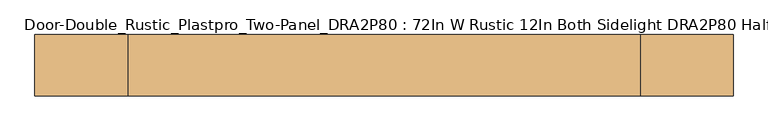
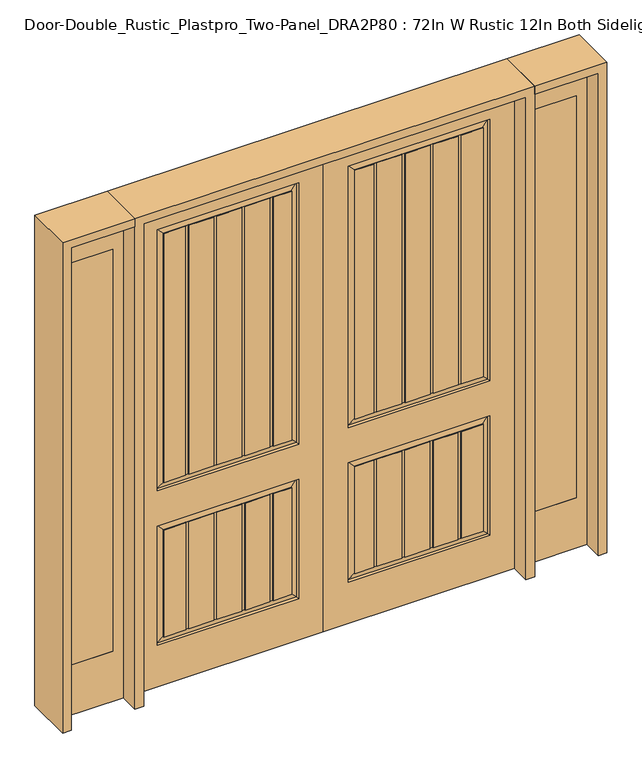
"""IFC4 building model written with IfcOpenShell, lengths in millimetres: door geometry, Door-Double_Rustic_Plastpro_Two-Panel_DRA2P80 : 72In W Rustic 12In Both Sidelight DRA2P80 Half Lite 96In."""

import ifcopenshell
import ifcopenshell.guid

model = None  # the IFC model being written
_history = None  # IfcOwnerHistory: only IFC2X3 demands one
_inside = {}  # id of a spatial element -> (the spatial element, [elements in it])
_under = {}  # id of a project, library or spatial element -> (it, [spatial elements below it])
_declared = {}  # id of a project -> (the project, [libraries it declares])
_typed = {}  # id of a type object -> (the type object, [elements of that type])
_made_of = {}  # id of a material, layer set ... -> (it, [elements and type objects made of it])


def new_model(schema):
    """Start an empty IFC model of exactly this schema.

    Asked for "IFC4X3", IfcOpenShell would pick the latest addendum, in which some entities
    have other attributes; the version numbers below select the first issue.
    IFC2X3 requires an IfcOwnerHistory on every rooted entity: one is made here for all.
    """
    global model, _history
    if schema == "IFC4X3":
        model = ifcopenshell.file(schema_version=(4, 3, 0, 0))
    else:
        model = ifcopenshell.file(schema=schema)
    _inside.clear()
    _under.clear()
    _declared.clear()
    _typed.clear()
    _made_of.clear()
    _history = None
    if model.schema == "IFC2X3":
        org = make("IfcOrganization", Name="unknown")
        user = make(
            "IfcPersonAndOrganization",
            ThePerson=make("IfcPerson", FamilyName="unknown"),
            TheOrganization=org,
        )
        app = make(
            "IfcApplication",
            ApplicationDeveloper=org,
            Version="unknown",
            ApplicationFullName="unknown",
            ApplicationIdentifier="unknown",
        )
        _history = make(
            "IfcOwnerHistory",
            OwningUser=user,
            OwningApplication=app,
            ChangeAction="ADDED",
            CreationDate=0,
        )
    return model


def make(cls, **values):
    """One entity of the class cls with the attributes given. An attribute that is None is left unset."""
    return model.create_entity(
        cls, **{name: value for name, value in values.items() if value is not None}
    )


def rooted(cls, **values):
    """An entity with a GlobalId (a new one), such as an element, a storey or a relation."""
    return make(cls, GlobalId=ifcopenshell.guid.new(), OwnerHistory=_history, **values)


def si_unit(unit_type, name, prefix=None):
    """IfcSIUnit, for example si_unit("LENGTHUNIT", "METRE", prefix="MILLI")."""
    return make("IfcSIUnit", UnitType=unit_type, Prefix=prefix, Name=name)


def assignment(units):
    """IfcUnitAssignment: the units of a project."""
    return None if units is None else make("IfcUnitAssignment", Units=units)


def point(xyz):
    """IfcCartesianPoint."""
    return None if xyz is None else make("IfcCartesianPoint", Coordinates=xyz)


def direction(xyz):
    """IfcDirection."""
    return None if xyz is None else make("IfcDirection", DirectionRatios=xyz)


def frame(location, z_axis=None, x_axis=None):
    """IfcAxis2Placement3D, a coordinate frame: its origin and axes. An axis left out is left unset."""
    return make(
        "IfcAxis2Placement3D",
        Location=point(location),
        Axis=direction(z_axis),
        RefDirection=direction(x_axis),
    )


def origin():
    """The frame at (0, 0, 0) with its axes left unset."""
    return frame((0.0, 0.0, 0.0))


def place(relative_to, where):
    """IfcLocalPlacement: puts the frame where relative to a parent placement (None: the world)."""
    return make(
        "IfcLocalPlacement", PlacementRelTo=relative_to, RelativePlacement=where
    )


def context(
    kind, dimensions, precision=None, world=None, true_north=None, identifier=None
):
    """IfcGeometricRepresentationContext, for example the 3D "Model" context."""
    return make(
        "IfcGeometricRepresentationContext",
        ContextIdentifier=identifier,
        ContextType=kind,
        CoordinateSpaceDimension=dimensions,
        Precision=precision,
        WorldCoordinateSystem=world,
        TrueNorth=true_north,
    )


def project(units=None, contexts=None):
    """IfcProject with its units and contexts."""
    return rooted(
        "IfcProject",
        Name="project",
        RepresentationContexts=contexts,
        UnitsInContext=assignment(units),
    )


def spatial(cls, under=None, at=None, **own):
    """A site, building, storey or space (cls), placed at a placement, below another one or the project."""
    s = rooted(cls, ObjectPlacement=at, **own)
    if under is not None:
        _under.setdefault(under.id(), (under, []))[1].append(s)
    return s


def polyline(points):
    """IfcPolyline through the points."""
    return make("IfcPolyline", Points=[point(p) for p in points])


def outline(outer, holes=None, kind="AREA"):
    """IfcArbitraryClosedProfileDef: a profile drawn as a closed curve; with holes, ...WithVoids."""
    if holes is None:
        return make("IfcArbitraryClosedProfileDef", ProfileType=kind, OuterCurve=outer)
    return make(
        "IfcArbitraryProfileDefWithVoids",
        ProfileType=kind,
        OuterCurve=outer,
        InnerCurves=holes,
    )


def extrude(swept, where, along, depth):
    """IfcExtrudedAreaSolid: the profile swept, set in the frame where, extruded along a direction by depth."""
    return make(
        "IfcExtrudedAreaSolid",
        SweptArea=swept,
        Position=where,
        ExtrudedDirection=direction(along),
        Depth=depth,
    )


def faces_of(points, faces, orient=None, outer=None):
    """IfcFace entities. A face is a list of loops; a loop is a list of indices into points, from 0.

    orient and outer hold one flag for each loop. By default every Orientation is true, the
    first loop of a face is its IfcFaceOuterBound and the others are IfcFaceBound.
    """
    made = []
    for i, loops in enumerate(faces):
        bounds = []
        for j, loop in enumerate(loops):
            is_outer = j == 0 if outer is None else outer[i][j]
            bounds.append(
                make(
                    "IfcFaceOuterBound" if is_outer else "IfcFaceBound",
                    Bound=make("IfcPolyLoop", Polygon=[points[k] for k in loop]),
                    Orientation=True if orient is None else orient[i][j],
                )
            )
        made.append(make("IfcFace", Bounds=bounds))
    return made


def faceted_brep(points, faces, orient=None, outer=None, voids=None):
    """IfcFacetedBrep: a solid bounded by flat faces; with voids (closed shells), ...WithVoids."""
    shared = [point(p) for p in points]
    hull = make("IfcClosedShell", CfsFaces=faces_of(shared, faces, orient, outer))
    if voids is None:
        return make("IfcFacetedBrep", Outer=hull)
    return make(
        "IfcFacetedBrepWithVoids",
        Outer=hull,
        Voids=[
            make(cls, CfsFaces=faces_of(shared, fs, o, b)) for cls, fs, o, b in voids
        ],
    )


def shape(context_of_items, identifier, shape_type, items):
    """IfcShapeRepresentation: the items that make up one representation, for example the "Body"."""
    return make(
        "IfcShapeRepresentation",
        ContextOfItems=context_of_items,
        RepresentationIdentifier=identifier,
        RepresentationType=shape_type,
        Items=items,
    )


def source(mapping_origin, context_of_items, identifier, shape_type, items):
    """IfcRepresentationMap: a shape defined once, which mapped items show again and again."""
    return make(
        "IfcRepresentationMap",
        MappingOrigin=mapping_origin,
        MappedRepresentation=shape(context_of_items, identifier, shape_type, items),
    )


def transform(
    local_origin,
    x_axis=None,
    y_axis=None,
    z_axis=None,
    scale=None,
    scale2=None,
    scale3=None,
    uniform=True,
):
    """IfcCartesianTransformationOperator3D, or its non-uniform kind. x_axis, y_axis, z_axis: its Axis1, 2, 3."""
    if uniform:
        return make(
            "IfcCartesianTransformationOperator3D",
            Axis1=direction(x_axis),
            Axis2=direction(y_axis),
            LocalOrigin=point(local_origin),
            Scale=scale,
            Axis3=direction(z_axis),
        )
    return make(
        "IfcCartesianTransformationOperator3DnonUniform",
        Axis1=direction(x_axis),
        Axis2=direction(y_axis),
        LocalOrigin=point(local_origin),
        Scale=scale,
        Axis3=direction(z_axis),
        Scale2=scale2,
        Scale3=scale3,
    )


def mapped(mapping_source, mapping_target):
    """IfcMappedItem: shows the shape of a source again, moved by a transform."""
    return make(
        "IfcMappedItem", MappingSource=mapping_source, MappingTarget=mapping_target
    )


def made_of(thing, what):
    """Note that an element or type object is made of a material, layer set ...; save() writes the relation."""
    if what is not None:
        _made_of.setdefault(what.id(), (what, []))[1].append(thing)
    return thing


def element(
    cls,
    number,
    at=None,
    inside=None,
    cuts=None,
    type_object=None,
    material=None,
    context=None,
    identifier="Body",
    shape_type=None,
    held_by="IfcProductDefinitionShape",
    body=None,
    shapes=None,
    **own,
):
    """One element of the class cls, such as IfcWall. Its Tag is "e" and its number.

    at: its placement. inside: the storey or other place that contains it. cuts: it is an
    opening in that element (IfcRelVoidsElement). A single representation is given by context,
    identifier, shape_type and body (its items); several are given by shapes. held_by: the class
    of the entity that holds the representations. save() writes the other relations.
    """
    e = rooted(cls, Tag="e%d" % number, ObjectPlacement=at, **own)
    if body is not None:
        shapes = [shape(context, identifier, shape_type, body)]
    if shapes is not None:
        e.Representation = make(held_by, Representations=shapes)
    if inside is not None:
        _inside.setdefault(inside.id(), (inside, []))[1].append(e)
    if cuts is not None:
        rooted(
            "IfcRelVoidsElement", RelatingBuildingElement=cuts, RelatedOpeningElement=e
        )
    if type_object is not None:
        _typed.setdefault(type_object.id(), (type_object, []))[1].append(e)
    return made_of(e, material)


def aggregate(whole, parts):
    """IfcRelAggregates: a whole, such as a stair, and the parts it consists of."""
    return rooted("IfcRelAggregates", RelatingObject=whole, RelatedObjects=parts)


def save(model, path):
    """Write the relations noted so far, then the file.

    IfcRelAggregates (storeys below a building ...), IfcRelContainedInSpatialStructure (elements
    in a storey), IfcRelDefinesByType, IfcRelAssociatesMaterial and IfcRelDeclares: one each for
    every whole, place, type object, material and project.
    """
    for whole, parts in _under.values():
        aggregate(whole, parts)
    for where, things in _inside.values():
        rooted(
            "IfcRelContainedInSpatialStructure",
            RelatedElements=things,
            RelatingStructure=where,
        )
    for kind, things in _typed.values():
        rooted("IfcRelDefinesByType", RelatedObjects=things, RelatingType=kind)
    for what, things in _made_of.values():
        rooted("IfcRelAssociatesMaterial", RelatedObjects=things, RelatingMaterial=what)
    for by, libraries in _declared.values():
        rooted("IfcRelDeclares", RelatingContext=by, RelatedDefinitions=libraries)
    model.write(path)


def door_double_rustic_plastpro_two_panel_dra2p80_72in_w_rustic_3f4ddbdf(model_context):
    return source(origin(), model_context, "Body", "SolidModel", [
        faceted_brep([(0.0, 20.6375, 0.0), (0.0, 20.6375, 2438.4), (914.4, 20.6375, 2438.4), (914.4, 20.6375, 0.0), (795.3375, 20.6375, 990.6), (795.3375, 20.6375, 2311.4), (119.0625, 20.6375, 2311.4), (119.0625, 20.6375, 990.6), (795.3375, 20.6375, 209.55), (795.3375, 20.6375, 812.8), (119.0625, 20.6375, 812.8), (119.0625, 20.6375, 209.55), (255.83842, 20.6375, 781.59283), (374.7997858, 20.6375, 781.59283), (374.7997858, 20.6375, 240.75717), (255.83842, 20.6375, 240.75717), (240.5587325, 20.6375, 240.75717), (150.26967, 20.6375, 240.75717), (150.26967, 20.6375, 781.59283), (240.5587325, 20.6375, 781.59283), (524.3205267, 20.6375, 781.59283), (643.2818925, 20.6375, 781.59283), (643.2818925, 20.6375, 240.75717), (524.3205267, 20.6375, 240.75717), (509.0408392, 20.6375, 240.75717), (390.0794733, 20.6375, 240.75717), (390.0794733, 20.6375, 781.59283), (509.0408392, 20.6375, 781.59283), (255.83842, 20.6375, 2280.19283), (374.7997858, 20.6375, 2280.19283), (374.7997858, 20.6375, 1021.80717), (255.83842, 20.6375, 1021.80717), (240.5587325, 20.6375, 1021.80717), (150.26967, 20.6375, 1021.80717), (150.26967, 20.6375, 2280.19283), (240.5587325, 20.6375, 2280.19283), (524.3205267, 20.6375, 2280.19283), (643.2818925, 20.6375, 2280.19283), (643.2818925, 20.6375, 1021.80717), (524.3205267, 20.6375, 1021.80717), (509.0408392, 20.6375, 1021.80717), (390.0794733, 20.6375, 1021.80717), (390.0794733, 20.6375, 2280.19283), (509.0408392, 20.6375, 2280.19283), (658.56158, 20.6375, 2280.19283), (764.13033, 20.6375, 2280.19283), (764.13033, 20.6375, 1021.80717), (658.56158, 20.6375, 1021.80717), (658.56158, 20.6375, 781.59283), (764.13033, 20.6375, 781.59283), (764.13033, 20.6375, 240.75717), (658.56158, 20.6375, 240.75717), (914.4, -20.6375, 0.0), (0.0, -20.6375, 0.0), (914.4, -20.6375, 2438.4), (0.0, -20.6375, 2438.4), (119.0625, -20.6375, 990.6), (119.0625, -20.6375, 2311.4), (795.3375, -20.6375, 2311.4), (795.3375, -20.6375, 990.6), (119.0625, -20.6375, 209.55), (119.0625, -20.6375, 812.8), (795.3375, -20.6375, 812.8), (795.3375, -20.6375, 209.55), (255.83842, -20.6375, 240.75717), (374.7997858, -20.6375, 240.75717), (374.7997858, -20.6375, 781.59283), (255.83842, -20.6375, 781.59283), (240.5587325, -20.6375, 781.59283), (150.26967, -20.6375, 781.59283), (150.26967, -20.6375, 240.75717), (240.5587325, -20.6375, 240.75717), (524.3205267, -20.6375, 240.75717), (643.2818925, -20.6375, 240.75717), (643.2818925, -20.6375, 781.59283), (524.3205267, -20.6375, 781.59283), (509.0408392, -20.6375, 781.59283), (390.0794733, -20.6375, 781.59283), (390.0794733, -20.6375, 240.75717), (509.0408392, -20.6375, 240.75717), (255.83842, -20.6375, 1021.80717), (375.194015, -20.6375, 1021.80717), (375.194015, -20.6375, 2280.19283), (255.83842, -20.6375, 2280.19283), (240.5587325, -20.6375, 2280.19283), (150.26967, -20.6375, 2280.19283), (150.26967, -20.6375, 1021.80717), (240.5587325, -20.6375, 1021.80717), (525.108985, -20.6375, 1021.80717), (644.46458, -20.6375, 1021.80717), (644.46458, -20.6375, 2280.19283), (525.108985, -20.6375, 2280.19283), (509.8292975, -20.6375, 2280.19283), (390.4737025, -20.6375, 2280.19283), (390.4737025, -20.6375, 1021.80717), (509.8292975, -20.6375, 1021.80717), (659.7442675, -20.6375, 1021.80717), (764.13033, -20.6375, 1021.80717), (764.13033, -20.6375, 2280.19283), (659.7442675, -20.6375, 2280.19283), (658.56158, -20.6375, 240.75717), (764.13033, -20.6375, 240.75717), (764.13033, -20.6375, 781.59283), (658.56158, -20.6375, 781.59283), (255.83842, 17.4625, 240.75717), (255.83842, 17.4625, 781.59283), (374.7997858, 17.4625, 781.59283), (374.7997858, 17.4625, 240.75717), (240.5587325, 17.4625, 781.59283), (240.5587325, 17.4625, 240.75717), (524.3205267, 17.4625, 240.75717), (524.3205267, 17.4625, 781.59283), (509.0408392, 17.4625, 781.59283), (509.0408392, 17.4625, 240.75717), (390.0794733, 17.4625, 240.75717), (390.0794733, 17.4625, 781.59283), (255.83842, 17.4625, 1021.80717), (255.83842, 17.4625, 2280.19283), (374.7997858, 17.4625, 2280.19283), (374.7997858, 17.4625, 1021.80717), (240.5587325, 17.4625, 2280.19283), (240.5587325, 17.4625, 1021.80717), (524.3205267, 17.4625, 1021.80717), (524.3205267, 17.4625, 2280.19283), (509.0408392, 17.4625, 2280.19283), (509.0408392, 17.4625, 1021.80717), (390.0794733, 17.4625, 1021.80717), (390.0794733, 17.4625, 2280.19283), (255.83842, -17.4625, 781.59283), (255.83842, -17.4625, 240.75717), (374.7997858, -17.4625, 240.75717), (374.7997858, -17.4625, 781.59283), (240.5587325, -17.4625, 240.75717), (240.5587325, -17.4625, 781.59283), (524.3205267, -17.4625, 781.59283), (524.3205267, -17.4625, 240.75717), (509.0408392, -17.4625, 240.75717), (509.0408392, -17.4625, 781.59283), (390.0794733, -17.4625, 781.59283), (390.0794733, -17.4625, 240.75717), (255.83842, -17.4625, 2280.19283), (255.83842, -17.4625, 1021.80717), (375.194015, -17.4625, 1021.80717), (375.194015, -17.4625, 2280.19283), (240.5587325, -17.4625, 1021.80717), (240.5587325, -17.4625, 2280.19283), (525.108985, -17.4625, 2280.19283), (525.108985, -17.4625, 1021.80717), (509.8292975, -17.4625, 1021.80717), (509.8292975, -17.4625, 2280.19283), (390.4737025, -17.4625, 2280.19283), (390.4737025, -17.4625, 1021.80717), (150.26967, 16.4079106, 240.75717), (643.2818925, 17.4625, 240.75717), (658.56158, 17.4625, 240.75717), (764.13033, 16.4079106, 240.75717), (150.26967, 16.4079106, 781.59283), (764.13033, 16.4079106, 781.59283), (658.56158, 17.4625, 781.59283), (643.2818925, 17.4625, 781.59283), (150.26967, 16.4079106, 1021.80717), (643.2818925, 17.4625, 1021.80717), (658.56158, 17.4625, 1021.80717), (764.13033, 16.4079106, 1021.80717), (150.26967, 16.4079106, 2280.19283), (643.2818925, 17.4625, 2280.19283), (791.118693, 11.1619043, 994.818807), (123.281307, 11.1619043, 994.818807), (123.281307, 11.1619043, 2307.181193), (791.118693, 11.1619043, 2307.181193), (791.118693, 11.1619043, 213.768807), (123.281307, 11.1619043, 213.768807), (123.281307, 11.1619043, 808.581193), (791.118693, 11.1619043, 808.581193), (658.56158, 17.4625, 2280.19283), (764.13033, 16.4079106, 2280.19283), (643.2818925, -17.4625, 781.59283), (658.56158, -17.4625, 781.59283), (764.13033, -16.4079106, 781.59283), (150.26967, -16.4079106, 781.59283), (764.13033, -16.4079106, 240.75717), (658.56158, -17.4625, 240.75717), (643.2818925, -17.4625, 240.75717), (150.26967, -16.4079106, 240.75717), (764.13033, -16.4079106, 1021.80717), (659.7442675, -17.4625, 1021.80717), (644.46458, -17.4625, 1021.80717), (150.26967, -16.4079106, 1021.80717), (150.26967, -16.4079106, 2280.19283), (644.46458, -17.4625, 2280.19283), (791.118693, -11.1619043, 994.818807), (123.281307, -11.1619043, 994.818807), (791.118693, -11.1619043, 2307.181193), (123.281307, -11.1619043, 2307.181193), (791.118693, -11.1619043, 213.768807), (123.281307, -11.1619043, 213.768807), (791.118693, -11.1619043, 808.581193), (123.281307, -11.1619043, 808.581193), (659.7442675, -17.4625, 2280.19283), (764.13033, -16.4079106, 2280.19283)], [[[0, 1, 2, 3], [4, 5, 6, 7], [8, 9, 10, 11]], [[12, 13, 14, 15]], [[16, 17, 18, 19]], [[20, 21, 22, 23]], [[24, 25, 26, 27]], [[28, 29, 30, 31]], [[32, 33, 34, 35]], [[36, 37, 38, 39]], [[40, 41, 42, 43]], [[44, 45, 46, 47]], [[48, 49, 50, 51]], [[3, 52, 53, 0]], [[2, 54, 52, 3]], [[0, 53, 55, 1]], [[52, 54, 55, 53], [56, 57, 58, 59], [60, 61, 62, 63]], [[64, 65, 66, 67]], [[68, 69, 70, 71]], [[72, 73, 74, 75]], [[76, 77, 78, 79]], [[80, 81, 82, 83]], [[84, 85, 86, 87]], [[88, 89, 90, 91]], [[92, 93, 94, 95]], [[96, 97, 98, 99]], [[100, 101, 102, 103]], [[1, 55, 54, 2]], [[15, 104, 105, 12]], [[13, 106, 107, 14]], [[19, 108, 109, 16]], [[23, 110, 111, 20]], [[27, 112, 113, 24]], [[25, 114, 115, 26]], [[31, 116, 117, 28]], [[29, 118, 119, 30]], [[35, 120, 121, 32]], [[39, 122, 123, 36]], [[43, 124, 125, 40]], [[41, 126, 127, 42]], [[67, 128, 129, 64]], [[65, 130, 131, 66]], [[71, 132, 133, 68]], [[75, 134, 135, 72]], [[79, 136, 137, 76]], [[77, 138, 139, 78]], [[83, 140, 141, 80]], [[81, 142, 143, 82]], [[87, 144, 145, 84]], [[91, 146, 147, 88]], [[95, 148, 149, 92]], [[93, 150, 151, 94]], [[128, 133, 132, 129]], [[134, 137, 136, 135]], [[138, 131, 130, 139]], [[104, 109, 108, 105]], [[110, 113, 112, 111]], [[114, 107, 106, 115]], [[140, 145, 144, 141]], [[146, 149, 148, 147]], [[150, 143, 142, 151]], [[116, 121, 120, 117]], [[122, 125, 124, 123]], [[126, 119, 118, 127]], [[152, 17, 16, 109, 104, 15, 14, 107, 114, 25, 24, 113, 110, 23, 22, 153, 154, 51, 50, 155]], [[156, 157, 49, 48, 158, 159, 21, 20, 111, 112, 27, 26, 115, 106, 13, 12, 105, 108, 19, 18]], [[152, 156, 18, 17]], [[21, 159, 153, 22]], [[160, 33, 32, 121, 116, 31, 30, 119, 126, 41, 40, 125, 122, 39, 38, 161, 162, 47, 46, 163]], [[160, 164, 34, 33]], [[37, 165, 161, 38]], [[166, 4, 7, 167]], [[7, 6, 168, 167]], [[166, 169, 5, 4]], [[170, 8, 11, 171]], [[11, 10, 172, 171]], [[10, 9, 173, 172]], [[170, 173, 9, 8]], [[47, 162, 174, 44]], [[46, 45, 175, 163]], [[51, 154, 158, 48]], [[50, 49, 157, 155]], [[69, 68, 133, 128, 67, 66, 131, 138, 77, 76, 137, 134, 75, 74, 176, 177, 103, 102, 178, 179]], [[180, 101, 100, 181, 182, 73, 72, 135, 136, 79, 78, 139, 130, 65, 64, 129, 132, 71, 70, 183]], [[70, 69, 179, 183]], [[73, 182, 176, 74]], [[184, 97, 96, 185, 186, 89, 88, 147, 148, 95, 94, 151, 142, 81, 80, 141, 144, 87, 86, 187]], [[86, 85, 188, 187]], [[89, 186, 189, 90]], [[56, 59, 190, 191]], [[59, 58, 192, 190]], [[191, 193, 57, 56]], [[60, 63, 194, 195]], [[63, 62, 196, 194]], [[197, 196, 62, 61]], [[195, 197, 61, 60]], [[99, 198, 185, 96]], [[184, 199, 98, 97]], [[103, 177, 181, 100]], [[180, 178, 102, 101]], [[190, 184, 187, 191]], [[198, 189, 186, 185]], [[187, 188, 193, 191]], [[190, 192, 199, 184]], [[163, 166, 167, 160]], [[167, 168, 164, 160]], [[163, 175, 169, 166]], [[162, 161, 165, 174]], [[194, 180, 183, 195]], [[177, 176, 182, 181]], [[183, 179, 197, 195]], [[194, 196, 178, 180]], [[155, 170, 171, 152]], [[171, 172, 156, 152]], [[155, 157, 173, 170]], [[154, 153, 159, 158]], [[179, 178, 196, 197]], [[172, 173, 157, 156]], [[6, 5, 169, 168]], [[193, 192, 58, 57]], [[188, 199, 192, 193]], [[168, 169, 175, 164]], [[85, 84, 145, 140, 83, 82, 143, 150, 93, 92, 149, 146, 91, 90, 189, 198, 99, 98, 199, 188]], [[164, 175, 45, 44, 174, 165, 37, 36, 123, 124, 43, 42, 127, 118, 29, 28, 117, 120, 35, 34]]]),
        extrude(outline(polyline([(0.0, 1260.475), (2438.4, 1260.475), (2438.4, 955.675), (0.0, 955.675), (0.0, 1260.475)]), holes=[polyline([(2286.0, 1006.475), (2286.0, 1209.675), (254.0, 1209.675), (254.0, 1006.475), (2286.0, 1006.475)])]), frame((0.0, -20.6375, 0.0), z_axis=(0.0, 1.0, 0.0), x_axis=(0.0, 0.0, 1.0)), (0.0, 0.0, 1.0), 41.275),
        extrude(outline(polyline([(1006.475, -20.6375), (1006.475, 20.6375), (1209.675, 20.6375), (1209.675, -20.6375), (1006.475, -20.6375)])), frame((0.0, 0.0, 254.0), z_axis=(0.0, 0.0, 1.0), x_axis=(1.0, 0.0, 0.0)), (0.0, 0.0, 1.0), 2032.0),
        extrude(outline(polyline([(0.0, -1260.475), (0.0, -955.675), (2438.4, -955.675), (2438.4, -1260.475), (0.0, -1260.475)]), holes=[polyline([(2286.0, -1006.475), (254.0, -1006.475), (254.0, -1209.675), (2286.0, -1209.675), (2286.0, -1006.475)])]), frame((0.0, -20.6375, 0.0), z_axis=(0.0, 1.0, 0.0), x_axis=(0.0, 0.0, 1.0)), (0.0, 0.0, 1.0), 41.275),
        extrude(outline(polyline([(-1006.475, -20.6375), (-1209.675, -20.6375), (-1209.675, 20.6375), (-1006.475, 20.6375), (-1006.475, -20.6375)])), frame((0.0, 0.0, 254.0), z_axis=(0.0, 0.0, 1.0), x_axis=(1.0, 0.0, 0.0)), (0.0, 0.0, 1.0), 2032.0),
        faceted_brep([(0.0, 20.6375, 0.0), (-914.4, 20.6375, 0.0), (-914.4, 20.6375, 2438.4), (0.0, 20.6375, 2438.4), (-795.3375, 20.6375, 990.6), (-119.0625, 20.6375, 990.6), (-119.0625, 20.6375, 2311.4), (-795.3375, 20.6375, 2311.4), (-795.3375, 20.6375, 209.55), (-119.0625, 20.6375, 209.55), (-119.0625, 20.6375, 812.8), (-795.3375, 20.6375, 812.8), (-255.83842, 20.6375, 781.59283), (-255.83842, 20.6375, 240.75717), (-374.7997858, 20.6375, 240.75717), (-374.7997858, 20.6375, 781.59283), (-240.5587325, 20.6375, 240.75717), (-240.5587325, 20.6375, 781.59283), (-150.26967, 20.6375, 781.59283), (-150.26967, 20.6375, 240.75717), (-524.3205267, 20.6375, 781.59283), (-524.3205267, 20.6375, 240.75717), (-643.2818925, 20.6375, 240.75717), (-643.2818925, 20.6375, 781.59283), (-509.0408392, 20.6375, 240.75717), (-509.0408392, 20.6375, 781.59283), (-390.0794733, 20.6375, 781.59283), (-390.0794733, 20.6375, 240.75717), (-255.83842, 20.6375, 2280.19283), (-255.83842, 20.6375, 1021.80717), (-374.7997858, 20.6375, 1021.80717), (-374.7997858, 20.6375, 2280.19283), (-240.5587325, 20.6375, 1021.80717), (-240.5587325, 20.6375, 2280.19283), (-150.26967, 20.6375, 2280.19283), (-150.26967, 20.6375, 1021.80717), (-524.3205267, 20.6375, 2280.19283), (-524.3205267, 20.6375, 1021.80717), (-643.2818925, 20.6375, 1021.80717), (-643.2818925, 20.6375, 2280.19283), (-509.0408392, 20.6375, 1021.80717), (-509.0408392, 20.6375, 2280.19283), (-390.0794733, 20.6375, 2280.19283), (-390.0794733, 20.6375, 1021.80717), (-658.56158, 20.6375, 2280.19283), (-658.56158, 20.6375, 1021.80717), (-764.13033, 20.6375, 1021.80717), (-764.13033, 20.6375, 2280.19283), (-658.56158, 20.6375, 781.59283), (-658.56158, 20.6375, 240.75717), (-764.13033, 20.6375, 240.75717), (-764.13033, 20.6375, 781.59283), (0.0, -20.6375, 0.0), (-914.4, -20.6375, 0.0), (-914.4, -20.6375, 2438.4), (0.0, -20.6375, 2438.4), (-119.0625, -20.6375, 990.6), (-795.3375, -20.6375, 990.6), (-795.3375, -20.6375, 2311.4), (-119.0625, -20.6375, 2311.4), (-119.0625, -20.6375, 209.55), (-795.3375, -20.6375, 209.55), (-795.3375, -20.6375, 812.8), (-119.0625, -20.6375, 812.8), (-255.83842, -20.6375, 240.75717), (-255.83842, -20.6375, 781.59283), (-374.7997858, -20.6375, 781.59283), (-374.7997858, -20.6375, 240.75717), (-240.5587325, -20.6375, 781.59283), (-240.5587325, -20.6375, 240.75717), (-150.26967, -20.6375, 240.75717), (-150.26967, -20.6375, 781.59283), (-524.3205267, -20.6375, 240.75717), (-524.3205267, -20.6375, 781.59283), (-643.2818925, -20.6375, 781.59283), (-643.2818925, -20.6375, 240.75717), (-509.0408392, -20.6375, 781.59283), (-509.0408392, -20.6375, 240.75717), (-390.0794733, -20.6375, 240.75717), (-390.0794733, -20.6375, 781.59283), (-255.83842, -20.6375, 1021.80717), (-255.83842, -20.6375, 2280.19283), (-375.194015, -20.6375, 2280.19283), (-375.194015, -20.6375, 1021.80717), (-240.5587325, -20.6375, 2280.19283), (-240.5587325, -20.6375, 1021.80717), (-150.26967, -20.6375, 1021.80717), (-150.26967, -20.6375, 2280.19283), (-525.108985, -20.6375, 1021.80717), (-525.108985, -20.6375, 2280.19283), (-644.46458, -20.6375, 2280.19283), (-644.46458, -20.6375, 1021.80717), (-509.8292975, -20.6375, 2280.19283), (-509.8292975, -20.6375, 1021.80717), (-390.4737025, -20.6375, 1021.80717), (-390.4737025, -20.6375, 2280.19283), (-659.7442675, -20.6375, 1021.80717), (-659.7442675, -20.6375, 2280.19283), (-764.13033, -20.6375, 2280.19283), (-764.13033, -20.6375, 1021.80717), (-658.56158, -20.6375, 240.75717), (-658.56158, -20.6375, 781.59283), (-764.13033, -20.6375, 781.59283), (-764.13033, -20.6375, 240.75717), (-255.83842, 17.4625, 781.59283), (-255.83842, 17.4625, 240.75717), (-374.7997858, 17.4625, 240.75717), (-374.7997858, 17.4625, 781.59283), (-240.5587325, 17.4625, 240.75717), (-240.5587325, 17.4625, 781.59283), (-524.3205267, 17.4625, 781.59283), (-524.3205267, 17.4625, 240.75717), (-509.0408392, 17.4625, 240.75717), (-509.0408392, 17.4625, 781.59283), (-390.0794733, 17.4625, 781.59283), (-390.0794733, 17.4625, 240.75717), (-255.83842, 17.4625, 2280.19283), (-255.83842, 17.4625, 1021.80717), (-374.7997858, 17.4625, 1021.80717), (-374.7997858, 17.4625, 2280.19283), (-240.5587325, 17.4625, 1021.80717), (-240.5587325, 17.4625, 2280.19283), (-524.3205267, 17.4625, 2280.19283), (-524.3205267, 17.4625, 1021.80717), (-509.0408392, 17.4625, 1021.80717), (-509.0408392, 17.4625, 2280.19283), (-390.0794733, 17.4625, 2280.19283), (-390.0794733, 17.4625, 1021.80717), (-255.83842, -17.4625, 240.75717), (-255.83842, -17.4625, 781.59283), (-374.7997858, -17.4625, 781.59283), (-374.7997858, -17.4625, 240.75717), (-240.5587325, -17.4625, 781.59283), (-240.5587325, -17.4625, 240.75717), (-524.3205267, -17.4625, 240.75717), (-524.3205267, -17.4625, 781.59283), (-509.0408392, -17.4625, 781.59283), (-509.0408392, -17.4625, 240.75717), (-390.0794733, -17.4625, 240.75717), (-390.0794733, -17.4625, 781.59283), (-255.83842, -17.4625, 1021.80717), (-255.83842, -17.4625, 2280.19283), (-375.194015, -17.4625, 2280.19283), (-375.194015, -17.4625, 1021.80717), (-240.5587325, -17.4625, 2280.19283), (-240.5587325, -17.4625, 1021.80717), (-525.108985, -17.4625, 1021.80717), (-525.108985, -17.4625, 2280.19283), (-509.8292975, -17.4625, 2280.19283), (-509.8292975, -17.4625, 1021.80717), (-390.4737025, -17.4625, 1021.80717), (-390.4737025, -17.4625, 2280.19283), (-150.26967, 16.4079106, 240.75717), (-764.13033, 16.4079106, 240.75717), (-658.56158, 17.4625, 240.75717), (-643.2818925, 17.4625, 240.75717), (-150.26967, 16.4079106, 781.59283), (-643.2818925, 17.4625, 781.59283), (-658.56158, 17.4625, 781.59283), (-764.13033, 16.4079106, 781.59283), (-150.26967, 16.4079106, 1021.80717), (-764.13033, 16.4079106, 1021.80717), (-658.56158, 17.4625, 1021.80717), (-643.2818925, 17.4625, 1021.80717), (-150.26967, 16.4079106, 2280.19283), (-643.2818925, 17.4625, 2280.19283), (-791.118693, 11.1619043, 994.818807), (-123.281307, 11.1619043, 994.818807), (-123.281307, 11.1619043, 2307.181193), (-791.118693, 11.1619043, 2307.181193), (-791.118693, 11.1619043, 213.768807), (-123.281307, 11.1619043, 213.768807), (-123.281307, 11.1619043, 808.581193), (-791.118693, 11.1619043, 808.581193), (-658.56158, 17.4625, 2280.19283), (-764.13033, 16.4079106, 2280.19283), (-150.26967, -16.4079106, 781.59283), (-764.13033, -16.4079106, 781.59283), (-658.56158, -17.4625, 781.59283), (-643.2818925, -17.4625, 781.59283), (-764.13033, -16.4079106, 240.75717), (-150.26967, -16.4079106, 240.75717), (-643.2818925, -17.4625, 240.75717), (-658.56158, -17.4625, 240.75717), (-764.13033, -16.4079106, 1021.80717), (-150.26967, -16.4079106, 1021.80717), (-644.46458, -17.4625, 1021.80717), (-659.7442675, -17.4625, 1021.80717), (-150.26967, -16.4079106, 2280.19283), (-644.46458, -17.4625, 2280.19283), (-123.281307, -11.1619043, 994.818807), (-791.118693, -11.1619043, 994.818807), (-791.118693, -11.1619043, 2307.181193), (-123.281307, -11.1619043, 2307.181193), (-123.281307, -11.1619043, 213.768807), (-791.118693, -11.1619043, 213.768807), (-791.118693, -11.1619043, 808.581193), (-123.281307, -11.1619043, 808.581193), (-659.7442675, -17.4625, 2280.19283), (-764.13033, -16.4079106, 2280.19283)], [[[0, 1, 2, 3], [4, 5, 6, 7], [8, 9, 10, 11]], [[12, 13, 14, 15]], [[16, 17, 18, 19]], [[20, 21, 22, 23]], [[24, 25, 26, 27]], [[28, 29, 30, 31]], [[32, 33, 34, 35]], [[36, 37, 38, 39]], [[40, 41, 42, 43]], [[44, 45, 46, 47]], [[48, 49, 50, 51]], [[1, 0, 52, 53]], [[2, 1, 53, 54]], [[0, 3, 55, 52]], [[53, 52, 55, 54], [56, 57, 58, 59], [60, 61, 62, 63]], [[64, 65, 66, 67]], [[68, 69, 70, 71]], [[72, 73, 74, 75]], [[76, 77, 78, 79]], [[80, 81, 82, 83]], [[84, 85, 86, 87]], [[88, 89, 90, 91]], [[92, 93, 94, 95]], [[96, 97, 98, 99]], [[100, 101, 102, 103]], [[3, 2, 54, 55]], [[13, 12, 104, 105]], [[15, 14, 106, 107]], [[17, 16, 108, 109]], [[21, 20, 110, 111]], [[25, 24, 112, 113]], [[27, 26, 114, 115]], [[29, 28, 116, 117]], [[31, 30, 118, 119]], [[33, 32, 120, 121]], [[37, 36, 122, 123]], [[41, 40, 124, 125]], [[43, 42, 126, 127]], [[65, 64, 128, 129]], [[67, 66, 130, 131]], [[69, 68, 132, 133]], [[73, 72, 134, 135]], [[77, 76, 136, 137]], [[79, 78, 138, 139]], [[81, 80, 140, 141]], [[83, 82, 142, 143]], [[85, 84, 144, 145]], [[89, 88, 146, 147]], [[93, 92, 148, 149]], [[95, 94, 150, 151]], [[129, 128, 133, 132]], [[135, 134, 137, 136]], [[139, 138, 131, 130]], [[105, 104, 109, 108]], [[111, 110, 113, 112]], [[115, 114, 107, 106]], [[141, 140, 145, 144]], [[147, 146, 149, 148]], [[151, 150, 143, 142]], [[117, 116, 121, 120]], [[123, 122, 125, 124]], [[127, 126, 119, 118]], [[152, 153, 50, 49, 154, 155, 22, 21, 111, 112, 24, 27, 115, 106, 14, 13, 105, 108, 16, 19]], [[156, 18, 17, 109, 104, 12, 15, 107, 114, 26, 25, 113, 110, 20, 23, 157, 158, 48, 51, 159]], [[152, 19, 18, 156]], [[23, 22, 155, 157]], [[160, 161, 46, 45, 162, 163, 38, 37, 123, 124, 40, 43, 127, 118, 30, 29, 117, 120, 32, 35]], [[160, 35, 34, 164]], [[39, 38, 163, 165]], [[166, 167, 5, 4]], [[5, 167, 168, 6]], [[166, 4, 7, 169]], [[170, 171, 9, 8]], [[9, 171, 172, 10]], [[10, 172, 173, 11]], [[170, 8, 11, 173]], [[45, 44, 174, 162]], [[46, 161, 175, 47]], [[49, 48, 158, 154]], [[50, 153, 159, 51]], [[71, 176, 177, 102, 101, 178, 179, 74, 73, 135, 136, 76, 79, 139, 130, 66, 65, 129, 132, 68]], [[180, 181, 70, 69, 133, 128, 64, 67, 131, 138, 78, 77, 137, 134, 72, 75, 182, 183, 100, 103]], [[70, 181, 176, 71]], [[75, 74, 179, 182]], [[184, 185, 86, 85, 145, 140, 80, 83, 143, 150, 94, 93, 149, 146, 88, 91, 186, 187, 96, 99]], [[86, 185, 188, 87]], [[91, 90, 189, 186]], [[56, 190, 191, 57]], [[57, 191, 192, 58]], [[190, 56, 59, 193]], [[60, 194, 195, 61]], [[61, 195, 196, 62]], [[197, 63, 62, 196]], [[194, 60, 63, 197]], [[97, 96, 187, 198]], [[184, 99, 98, 199]], [[101, 100, 183, 178]], [[180, 103, 102, 177]], [[191, 190, 185, 184]], [[198, 187, 186, 189]], [[185, 190, 193, 188]], [[191, 184, 199, 192]], [[161, 160, 167, 166]], [[167, 160, 164, 168]], [[161, 166, 169, 175]], [[162, 174, 165, 163]], [[195, 194, 181, 180]], [[178, 183, 182, 179]], [[181, 194, 197, 176]], [[195, 180, 177, 196]], [[153, 152, 171, 170]], [[171, 152, 156, 172]], [[153, 170, 173, 159]], [[154, 158, 157, 155]], [[176, 197, 196, 177]], [[172, 156, 159, 173]], [[6, 168, 169, 7]], [[193, 59, 58, 192]], [[188, 193, 192, 199]], [[168, 164, 175, 169]], [[87, 188, 199, 98, 97, 198, 189, 90, 89, 147, 148, 92, 95, 151, 142, 82, 81, 141, 144, 84]], [[164, 34, 33, 121, 116, 28, 31, 119, 126, 42, 41, 125, 122, 36, 39, 165, 174, 44, 47, 175]]]),
        extrude(outline(polyline([(2438.4, -955.675), (2479.675, -955.675), (2479.675, -1301.75), (0.0, -1301.75), (0.0, -1260.475), (2438.4, -1260.475), (2438.4, -955.675)])), frame((0.0, -114.3, 0.0), z_axis=(0.0, 1.0, 0.0), x_axis=(0.0, 0.0, 1.0)), (0.0, 0.0, 1.0), 228.6),
        extrude(outline(polyline([(2479.675, -955.675), (0.0, -955.675), (0.0, -914.4), (2438.4, -914.4), (2438.4, 914.4), (0.0, 914.4), (0.0, 955.675), (2479.675, 955.675), (2479.675, -955.675)])), frame((0.0, -114.3, 0.0), z_axis=(0.0, 1.0, 0.0), x_axis=(0.0, 0.0, 1.0)), (0.0, 0.0, 1.0), 228.6),
        extrude(outline(polyline([(0.0, 1260.475), (0.0, 1301.75), (2479.675, 1301.75), (2479.675, 955.675), (2438.4, 955.675), (2438.4, 1260.475), (0.0, 1260.475)])), frame((0.0, -114.3, 0.0), z_axis=(0.0, 1.0, 0.0), x_axis=(0.0, 0.0, 1.0)), (0.0, 0.0, 1.0), 228.6),
    ])


if __name__ == "__main__":
    model = new_model("IFC4")
    model_context = context("Model", 3, world=origin())
    ifc_project = project(units=[si_unit("LENGTHUNIT", "METRE", prefix="MILLI")], contexts=[model_context])
    site = spatial("IfcSite", under=ifc_project)
    building = spatial("IfcBuilding", under=site)
    placement = place(None, origin())
    door_double_rustic_plastpro_two_panel_dra2p80_72in_w_rustic_shape = door_double_rustic_plastpro_two_panel_dra2p80_72in_w_rustic_3f4ddbdf(model_context)
    element("IfcDoor", 1, ObjectType="Door-Double_Rustic_Plastpro_Two-Panel_DRA2P80 : 72In W Rustic 12In Both Sidelight DRA2P80 Half Lite 96In", at=placement, inside=building, context=model_context, shape_type="MappedRepresentation", body=[
        mapped(door_double_rustic_plastpro_two_panel_dra2p80_72in_w_rustic_shape, transform((0.0, 0.0, 0.0), x_axis=(1.0, 0.0, 0.0), y_axis=(0.0, 1.0, 0.0), z_axis=(0.0, 0.0, 1.0))),
    ])
    save(model, "model.ifc")
